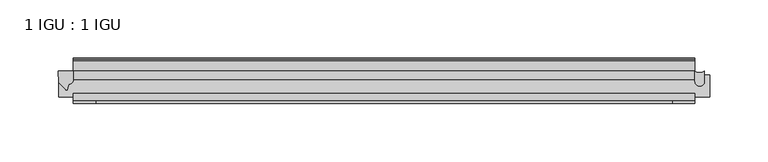
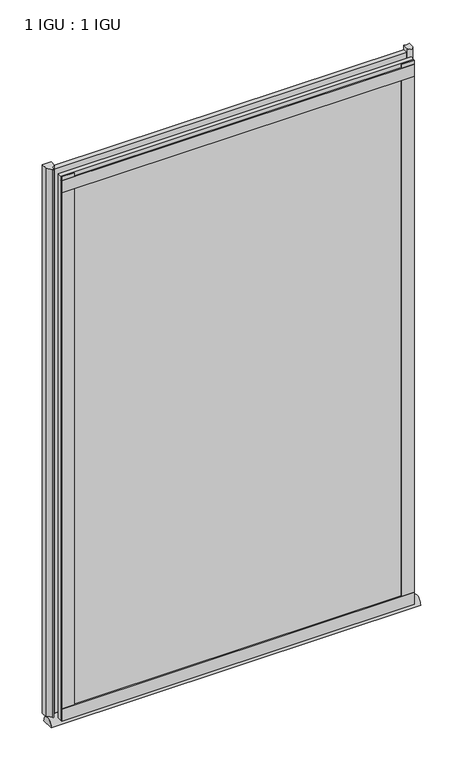
"""IFC4 building model written with IfcOpenShell, lengths in millimetres: plate geometry, 1 IGU : 1 IGU."""

from ifc_helpers import new_model, si_unit, point, frame, frame_2d, origin, place, context, project, spatial, polyline, circle_curve, ellipse_curve, trimmed, segment, composite_curve, outline, extrude, source, transform, mapped, element, save
from ifc_brep_helpers import plane_surface, extruded_surface, advanced_brep


def plate_1_igu_1_igu_5520a5ec(model_context):
    return source(origin(), model_context, "Body", "SolidModel", [
        extrude(outline(polyline([(266.7, -11.6085937), (266.7, -18.8576359), (-266.7, -18.8576359), (-266.7, -11.6085937), (266.7, -11.6085937)])), frame((0.0, 0.0, -19.05), z_axis=(0.0, 0.0, 1.0), x_axis=(1.0, 0.0, 0.0)), (0.0, 0.0, 1.0), 869.9499998),
        extrude(outline(polyline([(-266.7, -30.7093937), (266.7, -30.7093937), (266.7, -37.0085937), (-266.7, -37.0085937), (-266.7, -30.7093937)])), frame((0.0, 0.0, -19.05), z_axis=(0.0, 0.0, 1.0), x_axis=(1.0, 0.0, 0.0)), (0.0, 0.0, 1.0), 869.9499998),
        advanced_brep(
        [(279.4, -33.6472189, -28.575), (279.4, -14.9699686, -28.575), (-279.4, -33.6472189, -28.575), (-279.4, -14.9699686, -28.575)],
        [
            (0, 1),
            (1, 0, ellipse_curve(frame((279.4, -24.3085937, -28.575), z_axis=(1.0, 0.0, 0.0), x_axis=(0.0, 0.0, 1.0)), 10.6973372, 9.3386252)),
            (2, 3, ellipse_curve(frame((-279.4, -24.3085937, -28.575), z_axis=(-1.0, 0.0, 0.0), x_axis=(0.0, 0.0, 1.0)), 10.6973372, 9.3386252)),
            (3, 2),
            (0, 2),
            (3, 1),
        ],
        [
            plane_surface(frame((279.4, -9.2273438, -28.575), z_axis=(1.0, 0.0, 0.0), x_axis=(0.0, 1.0, 0.0))),
            plane_surface(frame((-279.4, -9.2273437, -28.575), z_axis=(-1.0, 0.0, 0.0), x_axis=(0.0, 1.0, 0.0))),
            plane_surface(frame((279.4, -33.6472189, -28.575), z_axis=(0.0, 0.0, -1.0), x_axis=(-1.0, 0.0, 0.0))),
            extruded_surface(trimmed(ellipse_curve(frame((-279.4, -24.3085937, -28.575), z_axis=(1.0, 0.0, 0.0), x_axis=(0.0, 0.0, 1.0)), 10.6973372, 9.3386252), [point((-279.4, -14.9699686, -28.575))], [point((-279.4, -33.6472189, -28.575))], True, "CARTESIAN"), (558.8, 0.0, 0.0), 558.8),
        ],
        [
            (0, [[1, 2]]),
            (1, [[3, 4]]),
            (2, [[-1, 5, -4, 6]]),
            (3, [[-2, -6, -3, -5]]),
        ],
    ),
        extrude(outline(composite_curve([segment(polyline([(-266.7, -11.610702), (-266.7, -20.1014769)]), True, "CONTINUOUS"), segment(trimmed(circle_curve(frame_2d((-272.9811943, -16.3829847)), 7.2993552), [point((-266.7, -20.1014769))], [point((-270.7989498, -23.3484994))], False, "CARTESIAN"), True, "CONTINUOUS"), segment(polyline([(-270.7989498, -23.3484994), (-272.0604364, -27.4746364)]), True, "CONTINUOUS"), segment(trimmed(circle_curve(frame_2d((-272.7891407, -27.2518492)), 0.762), [point((-272.0604364, -27.4746364))], [point((-273.4619467, -27.6095865))], False, "CARTESIAN"), True, "CONTINUOUS"), segment(polyline([(-273.4619467, -27.6095865), (-279.4, -21.3502133), (-279.7779091, -11.610702), (-266.7, -11.610702)]), True, "CONTINUOUS")], self_intersect=False)), frame((0.0, 0.0, -19.05), z_axis=(0.0, 0.0, 1.0), x_axis=(1.0, 0.0, 0.0)), (0.0, 0.0, 1.0), 877.0873998),
        extrude(outline(composite_curve([segment(trimmed(circle_curve(frame_2d((270.7937298, -20.4985938)), 4.0937298), [point((274.8874596, -20.4985937))], [point((266.7, -20.4985938))], False, "CARTESIAN"), True, "CONTINUOUS"), segment(polyline([(266.7, -20.4985938), (266.7, -11.6085938)]), True, "CONTINUOUS"), segment(trimmed(circle_curve(frame_2d((270.7937298, -4.9389529)), 7.8257736), [point((266.7, -11.6085938))], [point((274.8874596, -11.6085938))], True, "CARTESIAN"), True, "CONTINUOUS"), segment(polyline([(274.8874596, -11.6085938), (274.8874596, -20.4985937)]), True, "CONTINUOUS")], self_intersect=False)), frame((0.0, 0.0, -19.05), z_axis=(0.0, 0.0, 1.0), x_axis=(1.0, 0.0, 0.0)), (0.0, 0.0, 1.0), 877.0873998),
        extrude(outline(polyline([(-266.7, -39.2945937), (-266.7, -37.0085937), (266.7, -37.0085937), (266.7, -39.2945937), (-266.7, -39.2945937)])), frame((0.0, 0.0, -19.05), z_axis=(0.0, 0.0, 1.0), x_axis=(1.0, 0.0, 0.0)), (0.0, 0.0, 1.0), 19.05),
        extrude(outline(composite_curve([segment(polyline([(-3.0995937, 840.8194211), (-3.0995937, 838.7874211), (-5.2585937, 838.7874211), (-5.2585937, 833.4534211), (-1.5755937, 833.4534211), (-1.5755937, 830.4054211), (-5.2585937, 830.4054211), (-5.2585937, 825.5794211), (-0.5298657, 826.2440005), (-0.4061408, 825.3636522)]), True, "CONTINUOUS"), segment(trimmed(circle_curve(frame_2d((-1.4122531, 825.2222523)), 1.016), [point((-0.4061408, 825.3636522))], [point((-1.2708533, 824.21614))], False, "CARTESIAN"), True, "CONTINUOUS"), segment(polyline([(-1.2708533, 824.21614), (-11.6085937, 822.7632653), (-11.6085937, 840.8194211), (-3.0995937, 840.8194211)]), True, "CONTINUOUS")], self_intersect=False)), frame((-266.7, 0.0, 0.0), z_axis=(1.0, 0.0, 0.0), x_axis=(0.0, 1.0, 0.0)), (0.0, 0.0, 1.0), 533.4),
        extrude(outline(polyline([(-266.7, -39.2945937), (-266.7, -37.0085937), (266.7, -37.0085937), (266.7, -39.2945937), (-266.7, -39.2945937)])), frame((0.0, 0.0, 825.4999998), z_axis=(0.0, 0.0, 1.0), x_axis=(1.0, 0.0, 0.0)), (0.0, 0.0, 1.0), 19.05),
        extrude(outline(polyline([(247.65, -37.0085937), (266.7, -37.0085937), (266.7, -39.2945938), (247.65, -39.2945938), (247.65, -37.0085937)])), frame((0.0, 0.0, -19.05), z_axis=(0.0, 0.0, 1.0), x_axis=(1.0, 0.0, 0.0)), (0.0, 0.0, 1.0), 869.9499998),
        extrude(outline(polyline([(-266.7, -39.2945937), (-266.7, -37.0085937), (-247.65, -37.0085937), (-247.65, -39.2945937), (-266.7, -39.2945937)])), frame((0.0, 0.0, -19.05), z_axis=(0.0, 0.0, 1.0), x_axis=(1.0, 0.0, 0.0)), (0.0, 0.0, 1.0), 869.9499998),
    ])


if __name__ == "__main__":
    model = new_model("IFC4")
    model_context = context("Model", 3, world=origin())
    ifc_project = project(units=[si_unit("LENGTHUNIT", "METRE", prefix="MILLI")], contexts=[model_context])
    site = spatial("IfcSite", under=ifc_project)
    building = spatial("IfcBuilding", under=site)
    placement = place(None, origin())
    plate_1_igu_1_igu_shape = plate_1_igu_1_igu_5520a5ec(model_context)
    element("IfcPlate", 1, ObjectType="1 IGU : 1 IGU", at=placement, inside=building, context=model_context, shape_type="MappedRepresentation", body=[
        mapped(plate_1_igu_1_igu_shape, transform((0.0, 0.0, 0.0), x_axis=(1.0, 0.0, 0.0), y_axis=(0.0, 1.0, 0.0), z_axis=(0.0, 0.0, 1.0))),
    ])
    save(model, "model.ifc")
